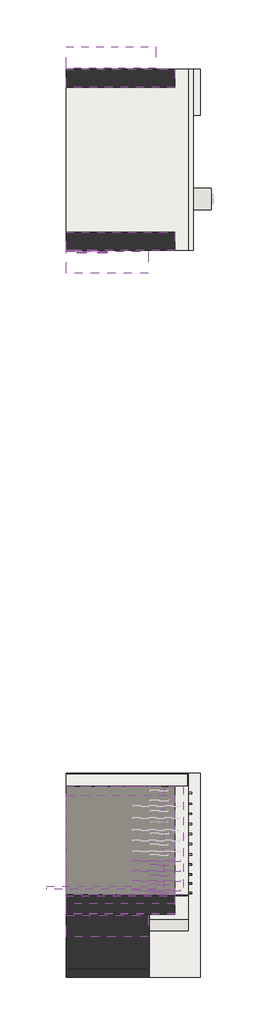
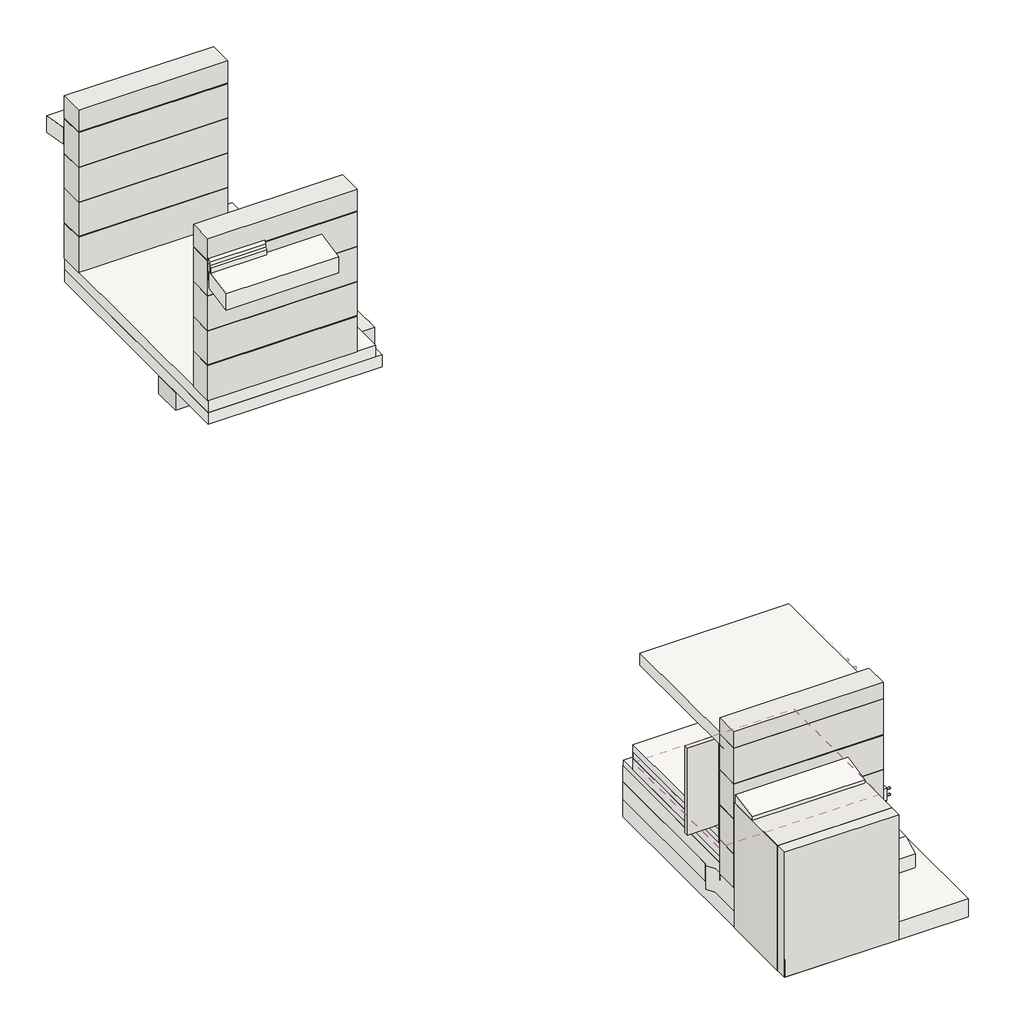
# One storey, part 1 of 2: 20 walls, 16 slabs, 15 cable carrier segments, 2 coverings.
"""IFC4 building model written with IfcOpenShell, lengths in millimetres."""

import ifcopenshell
import ifcopenshell.guid

model = None  # the IFC model being written
_history = None  # IfcOwnerHistory: only IFC2X3 demands one
_inside = {}  # id of a spatial element -> (the spatial element, [elements in it])
_under = {}  # id of a project, library or spatial element -> (it, [spatial elements below it])
_declared = {}  # id of a project -> (the project, [libraries it declares])
_typed = {}  # id of a type object -> (the type object, [elements of that type])
_made_of = {}  # id of a material, layer set ... -> (it, [elements and type objects made of it])


def new_model(schema):
    """Start an empty IFC model of exactly this schema.

    Asked for "IFC4X3", IfcOpenShell would pick the latest addendum, in which some entities
    have other attributes; the version numbers below select the first issue.
    IFC2X3 requires an IfcOwnerHistory on every rooted entity: one is made here for all.
    """
    global model, _history
    if schema == "IFC4X3":
        model = ifcopenshell.file(schema_version=(4, 3, 0, 0))
    else:
        model = ifcopenshell.file(schema=schema)
    _inside.clear()
    _under.clear()
    _declared.clear()
    _typed.clear()
    _made_of.clear()
    _history = None
    if model.schema == "IFC2X3":
        org = make("IfcOrganization", Name="unknown")
        user = make(
            "IfcPersonAndOrganization",
            ThePerson=make("IfcPerson", FamilyName="unknown"),
            TheOrganization=org,
        )
        app = make(
            "IfcApplication",
            ApplicationDeveloper=org,
            Version="unknown",
            ApplicationFullName="unknown",
            ApplicationIdentifier="unknown",
        )
        _history = make(
            "IfcOwnerHistory",
            OwningUser=user,
            OwningApplication=app,
            ChangeAction="ADDED",
            CreationDate=0,
        )
    return model


def make(cls, **values):
    """One entity of the class cls with the attributes given. An attribute that is None is left unset."""
    return model.create_entity(
        cls, **{name: value for name, value in values.items() if value is not None}
    )


def rooted(cls, **values):
    """An entity with a GlobalId (a new one), such as an element, a storey or a relation."""
    return make(cls, GlobalId=ifcopenshell.guid.new(), OwnerHistory=_history, **values)


def si_unit(unit_type, name, prefix=None):
    """IfcSIUnit, for example si_unit("LENGTHUNIT", "METRE", prefix="MILLI")."""
    return make("IfcSIUnit", UnitType=unit_type, Prefix=prefix, Name=name)


def assignment(units):
    """IfcUnitAssignment: the units of a project."""
    return None if units is None else make("IfcUnitAssignment", Units=units)


def point(xyz):
    """IfcCartesianPoint."""
    return None if xyz is None else make("IfcCartesianPoint", Coordinates=xyz)


def direction(xyz):
    """IfcDirection."""
    return None if xyz is None else make("IfcDirection", DirectionRatios=xyz)


def frame(location, z_axis=None, x_axis=None):
    """IfcAxis2Placement3D, a coordinate frame: its origin and axes. An axis left out is left unset."""
    return make(
        "IfcAxis2Placement3D",
        Location=point(location),
        Axis=direction(z_axis),
        RefDirection=direction(x_axis),
    )


def frame_2d(location, x_axis=None):
    """IfcAxis2Placement2D, a coordinate frame in the plane: its origin and x axis."""
    return make(
        "IfcAxis2Placement2D", Location=point(location), RefDirection=direction(x_axis)
    )


def origin():
    """The frame at (0, 0, 0) with its axes left unset."""
    return frame((0.0, 0.0, 0.0))


def origin_with_axes():
    """The frame at (0, 0, 0) with the z axis (0, 0, 1) and the x axis (1, 0, 0) written out."""
    return frame((0.0, 0.0, 0.0), z_axis=(0.0, 0.0, 1.0), x_axis=(1.0, 0.0, 0.0))


def place(relative_to, where):
    """IfcLocalPlacement: puts the frame where relative to a parent placement (None: the world)."""
    return make(
        "IfcLocalPlacement", PlacementRelTo=relative_to, RelativePlacement=where
    )


def context(
    kind, dimensions, precision=None, world=None, true_north=None, identifier=None
):
    """IfcGeometricRepresentationContext, for example the 3D "Model" context."""
    return make(
        "IfcGeometricRepresentationContext",
        ContextIdentifier=identifier,
        ContextType=kind,
        CoordinateSpaceDimension=dimensions,
        Precision=precision,
        WorldCoordinateSystem=world,
        TrueNorth=true_north,
    )


def project(units=None, contexts=None):
    """IfcProject with its units and contexts."""
    return rooted(
        "IfcProject",
        Name="project",
        RepresentationContexts=contexts,
        UnitsInContext=assignment(units),
    )


def spatial(cls, under=None, at=None, **own):
    """A site, building, storey or space (cls), placed at a placement, below another one or the project."""
    s = rooted(cls, ObjectPlacement=at, **own)
    if under is not None:
        _under.setdefault(under.id(), (under, []))[1].append(s)
    return s


def polyline(points):
    """IfcPolyline through the points."""
    return make("IfcPolyline", Points=[point(p) for p in points])


def circle_curve(where, radius):
    """IfcCircle in the frame where."""
    return make("IfcCircle", Position=where, Radius=radius)


def trimmed(basis, trim1, trim2, sense, master):
    """IfcTrimmedCurve: the piece of a basis curve between two trims."""
    return make(
        "IfcTrimmedCurve",
        BasisCurve=basis,
        Trim1=trim1,
        Trim2=trim2,
        SenseAgreement=sense,
        MasterRepresentation=master,
    )


def segment(curve, same_sense, transition):
    """IfcCompositeCurveSegment."""
    return make(
        "IfcCompositeCurveSegment",
        Transition=transition,
        SameSense=same_sense,
        ParentCurve=curve,
    )


def composite_curve(segments, self_intersect=None):
    """IfcCompositeCurve: segments joined end to end."""
    return make("IfcCompositeCurve", Segments=segments, SelfIntersect=self_intersect)


def outline(outer, holes=None, kind="AREA"):
    """IfcArbitraryClosedProfileDef: a profile drawn as a closed curve; with holes, ...WithVoids."""
    if holes is None:
        return make("IfcArbitraryClosedProfileDef", ProfileType=kind, OuterCurve=outer)
    return make(
        "IfcArbitraryProfileDefWithVoids",
        ProfileType=kind,
        OuterCurve=outer,
        InnerCurves=holes,
    )


def extrude(swept, where, along, depth):
    """IfcExtrudedAreaSolid: the profile swept, set in the frame where, extruded along a direction by depth."""
    return make(
        "IfcExtrudedAreaSolid",
        SweptArea=swept,
        Position=where,
        ExtrudedDirection=direction(along),
        Depth=depth,
    )


def shape(context_of_items, identifier, shape_type, items):
    """IfcShapeRepresentation: the items that make up one representation, for example the "Body"."""
    return make(
        "IfcShapeRepresentation",
        ContextOfItems=context_of_items,
        RepresentationIdentifier=identifier,
        RepresentationType=shape_type,
        Items=items,
    )


def made_of(thing, what):
    """Note that an element or type object is made of a material, layer set ...; save() writes the relation."""
    if what is not None:
        _made_of.setdefault(what.id(), (what, []))[1].append(thing)
    return thing


def element(
    cls,
    number,
    at=None,
    inside=None,
    cuts=None,
    type_object=None,
    material=None,
    context=None,
    identifier="Body",
    shape_type=None,
    held_by="IfcProductDefinitionShape",
    body=None,
    shapes=None,
    **own,
):
    """One element of the class cls, such as IfcWall. Its Tag is "e" and its number.

    at: its placement. inside: the storey or other place that contains it. cuts: it is an
    opening in that element (IfcRelVoidsElement). A single representation is given by context,
    identifier, shape_type and body (its items); several are given by shapes. held_by: the class
    of the entity that holds the representations. save() writes the other relations.
    """
    e = rooted(cls, Tag="e%d" % number, ObjectPlacement=at, **own)
    if body is not None:
        shapes = [shape(context, identifier, shape_type, body)]
    if shapes is not None:
        e.Representation = make(held_by, Representations=shapes)
    if inside is not None:
        _inside.setdefault(inside.id(), (inside, []))[1].append(e)
    if cuts is not None:
        rooted(
            "IfcRelVoidsElement", RelatingBuildingElement=cuts, RelatedOpeningElement=e
        )
    if type_object is not None:
        _typed.setdefault(type_object.id(), (type_object, []))[1].append(e)
    return made_of(e, material)


def aggregate(whole, parts):
    """IfcRelAggregates: a whole, such as a stair, and the parts it consists of."""
    return rooted("IfcRelAggregates", RelatingObject=whole, RelatedObjects=parts)


def save(model, path):
    """Write the relations noted so far, then the file.

    IfcRelAggregates (storeys below a building ...), IfcRelContainedInSpatialStructure (elements
    in a storey), IfcRelDefinesByType, IfcRelAssociatesMaterial and IfcRelDeclares: one each for
    every whole, place, type object, material and project.
    """
    for whole, parts in _under.values():
        aggregate(whole, parts)
    for where, things in _inside.values():
        rooted(
            "IfcRelContainedInSpatialStructure",
            RelatedElements=things,
            RelatingStructure=where,
        )
    for kind, things in _typed.values():
        rooted("IfcRelDefinesByType", RelatedObjects=things, RelatingType=kind)
    for what, things in _made_of.values():
        rooted("IfcRelAssociatesMaterial", RelatedObjects=things, RelatingMaterial=what)
    for by, libraries in _declared.values():
        rooted("IfcRelDeclares", RelatingContext=by, RelatedDefinitions=libraries)
    model.write(path)


model = new_model("IFC4")

# Units and contexts
model_context = context("Model", 3, world=origin())
ifc_project = project(units=[si_unit("LENGTHUNIT", "METRE", prefix="MILLI")], contexts=[model_context])

# Site, building, storey
site = spatial("IfcSite", under=ifc_project)
building = spatial("IfcBuilding", under=site)
storey = spatial("IfcBuildingStorey", under=building, Elevation=0.0)

# Cable carrier segments
placement = place(None, origin())
element("IfcCableCarrierSegment", 1, at=placement, inside=storey, context=model_context, shape_type="SweptSolid", body=[
    extrude(outline(composite_curve([segment(trimmed(circle_curve(frame_2d((-11500.8410597, 2526.8725652)), 11.71), [point((-11489.1310597, 2526.8725652))], [point((-11500.8410597, 2515.1625652))], False, "CARTESIAN"), True, "CONTINUOUS"), segment(trimmed(circle_curve(frame_2d((-11500.8410597, 2526.8725652)), 11.71), [point((-11500.8410597, 2515.1625652))], [point((-11512.5510597, 2526.8725652))], False, "CARTESIAN"), True, "CONTINUOUS"), segment(trimmed(circle_curve(frame_2d((-11500.8410597, 2526.8725652)), 11.71), [point((-11512.5510597, 2526.8725652))], [point((-11500.8410597, 2538.5825652))], False, "CARTESIAN"), True, "CONTINUOUS"), segment(trimmed(circle_curve(frame_2d((-11500.8410597, 2526.8725652)), 11.71), [point((-11500.8410597, 2538.5825652))], [point((-11489.1310597, 2526.8725652))], False, "CARTESIAN"), True, "CONTINUOUS")], self_intersect=False)), frame((-15957.560639, 0.0, 0.0), z_axis=(1.0, 0.0, 0.0), x_axis=(0.0, 1.0, 0.0)), (0.0, 0.0, 1.0), 780.0),
])
element("IfcCableCarrierSegment", 2, at=placement, inside=storey, context=model_context, shape_type="SweptSolid", body=[
    extrude(outline(composite_curve([segment(trimmed(circle_curve(frame_2d((-11345.8410597, 2526.8725652)), 11.71), [point((-11334.1310597, 2526.8725652))], [point((-11345.8410597, 2515.1625652))], False, "CARTESIAN"), True, "CONTINUOUS"), segment(trimmed(circle_curve(frame_2d((-11345.8410597, 2526.8725652)), 11.71), [point((-11345.8410597, 2515.1625652))], [point((-11357.5510597, 2526.8725652))], False, "CARTESIAN"), True, "CONTINUOUS"), segment(trimmed(circle_curve(frame_2d((-11345.8410597, 2526.8725652)), 11.71), [point((-11357.5510597, 2526.8725652))], [point((-11345.8410597, 2538.5825652))], False, "CARTESIAN"), True, "CONTINUOUS"), segment(trimmed(circle_curve(frame_2d((-11345.8410597, 2526.8725652)), 11.71), [point((-11345.8410597, 2538.5825652))], [point((-11334.1310597, 2526.8725652))], False, "CARTESIAN"), True, "CONTINUOUS")], self_intersect=False)), frame((-15957.560639, 0.0, 0.0), z_axis=(1.0, 0.0, 0.0), x_axis=(0.0, 1.0, 0.0)), (0.0, 0.0, 1.0), 780.0),
])
element("IfcCableCarrierSegment", 3, at=placement, inside=storey, context=model_context, shape_type="SweptSolid", body=[
    extrude(outline(composite_curve([segment(trimmed(circle_curve(frame_2d((-11175.8410597, 2526.8725652)), 11.71), [point((-11164.1310597, 2526.8725652))], [point((-11175.8410597, 2515.1625652))], False, "CARTESIAN"), True, "CONTINUOUS"), segment(trimmed(circle_curve(frame_2d((-11175.8410597, 2526.8725652)), 11.71), [point((-11175.8410597, 2515.1625652))], [point((-11187.5510597, 2526.8725652))], False, "CARTESIAN"), True, "CONTINUOUS"), segment(trimmed(circle_curve(frame_2d((-11175.8410597, 2526.8725652)), 11.71), [point((-11187.5510597, 2526.8725652))], [point((-11175.8410597, 2538.5825652))], False, "CARTESIAN"), True, "CONTINUOUS"), segment(trimmed(circle_curve(frame_2d((-11175.8410597, 2526.8725652)), 11.71), [point((-11175.8410597, 2538.5825652))], [point((-11164.1310597, 2526.8725652))], False, "CARTESIAN"), True, "CONTINUOUS")], self_intersect=False)), frame((-15957.560639, 0.0, 0.0), z_axis=(1.0, 0.0, 0.0), x_axis=(0.0, 1.0, 0.0)), (0.0, 0.0, 1.0), 780.0),
])
element("IfcCableCarrierSegment", 4, at=placement, inside=storey, context=model_context, shape_type="SweptSolid", body=[
    extrude(outline(composite_curve([segment(trimmed(circle_curve(frame_2d((-11015.8410597, 2526.8725652)), 11.71), [point((-11004.1310597, 2526.8725652))], [point((-11015.8410597, 2515.1625652))], False, "CARTESIAN"), True, "CONTINUOUS"), segment(trimmed(circle_curve(frame_2d((-11015.8410597, 2526.8725652)), 11.71), [point((-11015.8410597, 2515.1625652))], [point((-11027.5510597, 2526.8725652))], False, "CARTESIAN"), True, "CONTINUOUS"), segment(trimmed(circle_curve(frame_2d((-11015.8410597, 2526.8725652)), 11.71), [point((-11027.5510597, 2526.8725652))], [point((-11015.8410597, 2538.5825652))], False, "CARTESIAN"), True, "CONTINUOUS"), segment(trimmed(circle_curve(frame_2d((-11015.8410597, 2526.8725652)), 11.71), [point((-11015.8410597, 2538.5825652))], [point((-11004.1310597, 2526.8725652))], False, "CARTESIAN"), True, "CONTINUOUS")], self_intersect=False)), frame((-15957.560639, 0.0, 0.0), z_axis=(1.0, 0.0, 0.0), x_axis=(0.0, 1.0, 0.0)), (0.0, 0.0, 1.0), 780.0),
])
element("IfcCableCarrierSegment", 5, at=placement, inside=storey, context=model_context, shape_type="SweptSolid", body=[
    extrude(outline(composite_curve([segment(trimmed(circle_curve(frame_2d((-11543.6168712, 1147.1430792)), 11.71), [point((-11531.9068712, 1147.1430792))], [point((-11543.6168712, 1135.4330792))], False, "CARTESIAN"), True, "CONTINUOUS"), segment(trimmed(circle_curve(frame_2d((-11543.6168712, 1147.1430792)), 11.71), [point((-11543.6168712, 1135.4330792))], [point((-11555.3268712, 1147.1430792))], False, "CARTESIAN"), True, "CONTINUOUS"), segment(trimmed(circle_curve(frame_2d((-11543.6168712, 1147.1430792)), 11.71), [point((-11555.3268712, 1147.1430792))], [point((-11543.6168712, 1158.8530792))], False, "CARTESIAN"), True, "CONTINUOUS"), segment(trimmed(circle_curve(frame_2d((-11543.6168712, 1147.1430792)), 11.71), [point((-11543.6168712, 1158.8530792))], [point((-11531.9068712, 1147.1430792))], False, "CARTESIAN"), True, "CONTINUOUS")], self_intersect=False)), frame((-15667.0727907, 0.0, 0.0), z_axis=(1.0, 0.0, 0.0), x_axis=(0.0, 1.0, 0.0)), (0.0, 0.0, 1.0), 685.0),
])
element("IfcCableCarrierSegment", 6, at=placement, inside=storey, context=model_context, shape_type="SweptSolid", body=[
    extrude(outline(composite_curve([segment(trimmed(circle_curve(frame_2d((-11543.6168712, 1067.1430792)), 11.71), [point((-11531.9068712, 1067.1430792))], [point((-11543.6168712, 1055.4330792))], False, "CARTESIAN"), True, "CONTINUOUS"), segment(trimmed(circle_curve(frame_2d((-11543.6168712, 1067.1430792)), 11.71), [point((-11543.6168712, 1055.4330792))], [point((-11555.3268712, 1067.1430792))], False, "CARTESIAN"), True, "CONTINUOUS"), segment(trimmed(circle_curve(frame_2d((-11543.6168712, 1067.1430792)), 11.71), [point((-11555.3268712, 1067.1430792))], [point((-11543.6168712, 1078.8530792))], False, "CARTESIAN"), True, "CONTINUOUS"), segment(trimmed(circle_curve(frame_2d((-11543.6168712, 1067.1430792)), 11.71), [point((-11543.6168712, 1078.8530792))], [point((-11531.9068712, 1067.1430792))], False, "CARTESIAN"), True, "CONTINUOUS")], self_intersect=False)), frame((-15667.0727907, 0.0, 0.0), z_axis=(1.0, 0.0, 0.0), x_axis=(0.0, 1.0, 0.0)), (0.0, 0.0, 1.0), 685.0),
])
element("IfcCableCarrierSegment", 7, at=placement, inside=storey, context=model_context, shape_type="SweptSolid", body=[
    extrude(outline(composite_curve([segment(trimmed(circle_curve(frame_2d((-11530.1077311, 1301.5532574)), 11.71), [point((-11518.3977311, 1301.5532574))], [point((-11530.1077311, 1289.8432574))], False, "CARTESIAN"), True, "CONTINUOUS"), segment(trimmed(circle_curve(frame_2d((-11530.1077311, 1301.5532574)), 11.71), [point((-11530.1077311, 1289.8432574))], [point((-11541.8177311, 1301.5532574))], False, "CARTESIAN"), True, "CONTINUOUS"), segment(trimmed(circle_curve(frame_2d((-11530.1077311, 1301.5532574)), 11.71), [point((-11541.8177311, 1301.5532574))], [point((-11530.1077311, 1313.2632574))], False, "CARTESIAN"), True, "CONTINUOUS"), segment(trimmed(circle_curve(frame_2d((-11530.1077311, 1301.5532574)), 11.71), [point((-11530.1077311, 1313.2632574))], [point((-11518.3977311, 1301.5532574))], False, "CARTESIAN"), True, "CONTINUOUS")], self_intersect=False)), frame((-15667.0727907, 0.0, 0.0), z_axis=(1.0, 0.0, 0.0), x_axis=(0.0, 1.0, 0.0)), (0.0, 0.0, 1.0), 285.0),
])
element("IfcCableCarrierSegment", 8, at=placement, inside=storey, context=model_context, shape_type="SweptSolid", body=[
    extrude(outline(composite_curve([segment(trimmed(circle_curve(frame_2d((-11403.0994439, 1303.2034926)), 11.71), [point((-11391.3894439, 1303.2034926))], [point((-11403.0994439, 1291.4934926))], False, "CARTESIAN"), True, "CONTINUOUS"), segment(trimmed(circle_curve(frame_2d((-11403.0994439, 1303.2034926)), 11.71), [point((-11403.0994439, 1291.4934926))], [point((-11414.8094439, 1303.2034926))], False, "CARTESIAN"), True, "CONTINUOUS"), segment(trimmed(circle_curve(frame_2d((-11403.0994439, 1303.2034926)), 11.71), [point((-11414.8094439, 1303.2034926))], [point((-11403.0994439, 1314.9134926))], False, "CARTESIAN"), True, "CONTINUOUS"), segment(trimmed(circle_curve(frame_2d((-11403.0994439, 1303.2034926)), 11.71), [point((-11403.0994439, 1314.9134926))], [point((-11391.3894439, 1303.2034926))], False, "CARTESIAN"), True, "CONTINUOUS")], self_intersect=False)), frame((-15667.0727907, 0.0, 0.0), z_axis=(1.0, 0.0, 0.0), x_axis=(0.0, 1.0, 0.0)), (0.0, 0.0, 1.0), 295.0),
])
element("IfcCableCarrierSegment", 9, at=placement, inside=storey, context=model_context, shape_type="SweptSolid", body=[
    extrude(outline(composite_curve([segment(trimmed(circle_curve(frame_2d((-11252.2441656, 1302.068695)), 11.71), [point((-11240.5341656, 1302.068695))], [point((-11252.2441656, 1290.358695))], False, "CARTESIAN"), True, "CONTINUOUS"), segment(trimmed(circle_curve(frame_2d((-11252.2441656, 1302.068695)), 11.71), [point((-11252.2441656, 1290.358695))], [point((-11263.9541656, 1302.068695))], False, "CARTESIAN"), True, "CONTINUOUS"), segment(trimmed(circle_curve(frame_2d((-11252.2441656, 1302.068695)), 11.71), [point((-11263.9541656, 1302.068695))], [point((-11252.2441656, 1313.778695))], False, "CARTESIAN"), True, "CONTINUOUS"), segment(trimmed(circle_curve(frame_2d((-11252.2441656, 1302.068695)), 11.71), [point((-11252.2441656, 1313.778695))], [point((-11240.5341656, 1302.068695))], False, "CARTESIAN"), True, "CONTINUOUS")], self_intersect=False)), frame((-15667.0727907, 0.0, 0.0), z_axis=(1.0, 0.0, 0.0), x_axis=(0.0, 1.0, 0.0)), (0.0, 0.0, 1.0), 295.0),
])
element("IfcCableCarrierSegment", 10, at=placement, inside=storey, context=model_context, shape_type="SweptSolid", body=[
    extrude(outline(composite_curve([segment(trimmed(circle_curve(frame_2d((-11077.5991783, 1298.5614065)), 11.71), [point((-11065.8891783, 1298.5614065))], [point((-11077.5991783, 1286.8514065))], False, "CARTESIAN"), True, "CONTINUOUS"), segment(trimmed(circle_curve(frame_2d((-11077.5991783, 1298.5614065)), 11.71), [point((-11077.5991783, 1286.8514065))], [point((-11089.3091783, 1298.5614065))], False, "CARTESIAN"), True, "CONTINUOUS"), segment(trimmed(circle_curve(frame_2d((-11077.5991783, 1298.5614065)), 11.71), [point((-11089.3091783, 1298.5614065))], [point((-11077.5991783, 1310.2714065))], False, "CARTESIAN"), True, "CONTINUOUS"), segment(trimmed(circle_curve(frame_2d((-11077.5991783, 1298.5614065)), 11.71), [point((-11077.5991783, 1310.2714065))], [point((-11065.8891783, 1298.5614065))], False, "CARTESIAN"), True, "CONTINUOUS")], self_intersect=False)), frame((-15667.0727907, 0.0, 0.0), z_axis=(1.0, 0.0, 0.0), x_axis=(0.0, 1.0, 0.0)), (0.0, 0.0, 1.0), 295.0),
])
element("IfcCableCarrierSegment", 11, at=placement, inside=storey, context=model_context, shape_type="SweptSolid", body=[
    extrude(outline(composite_curve([segment(trimmed(circle_curve(frame_2d((-11383.6168712, 1147.1430792)), 11.71), [point((-11371.9068712, 1147.1430792))], [point((-11383.6168712, 1135.4330792))], False, "CARTESIAN"), True, "CONTINUOUS"), segment(trimmed(circle_curve(frame_2d((-11383.6168712, 1147.1430792)), 11.71), [point((-11383.6168712, 1135.4330792))], [point((-11395.3268712, 1147.1430792))], False, "CARTESIAN"), True, "CONTINUOUS"), segment(trimmed(circle_curve(frame_2d((-11383.6168712, 1147.1430792)), 11.71), [point((-11395.3268712, 1147.1430792))], [point((-11383.6168712, 1158.8530792))], False, "CARTESIAN"), True, "CONTINUOUS"), segment(trimmed(circle_curve(frame_2d((-11383.6168712, 1147.1430792)), 11.71), [point((-11383.6168712, 1158.8530792))], [point((-11371.9068712, 1147.1430792))], False, "CARTESIAN"), True, "CONTINUOUS")], self_intersect=False)), frame((-15667.0727907, 0.0, 0.0), z_axis=(1.0, 0.0, 0.0), x_axis=(0.0, 1.0, 0.0)), (0.0, 0.0, 1.0), 685.0),
])
element("IfcCableCarrierSegment", 12, at=placement, inside=storey, context=model_context, shape_type="SweptSolid", body=[
    extrude(outline(composite_curve([segment(trimmed(circle_curve(frame_2d((-11383.6168712, 1067.1430792)), 11.71), [point((-11371.9068712, 1067.1430792))], [point((-11383.6168712, 1055.4330792))], False, "CARTESIAN"), True, "CONTINUOUS"), segment(trimmed(circle_curve(frame_2d((-11383.6168712, 1067.1430792)), 11.71), [point((-11383.6168712, 1055.4330792))], [point((-11395.3268712, 1067.1430792))], False, "CARTESIAN"), True, "CONTINUOUS"), segment(trimmed(circle_curve(frame_2d((-11383.6168712, 1067.1430792)), 11.71), [point((-11395.3268712, 1067.1430792))], [point((-11383.6168712, 1078.8530792))], False, "CARTESIAN"), True, "CONTINUOUS"), segment(trimmed(circle_curve(frame_2d((-11383.6168712, 1067.1430792)), 11.71), [point((-11383.6168712, 1078.8530792))], [point((-11371.9068712, 1067.1430792))], False, "CARTESIAN"), True, "CONTINUOUS")], self_intersect=False)), frame((-15667.0727907, 0.0, 0.0), z_axis=(1.0, 0.0, 0.0), x_axis=(0.0, 1.0, 0.0)), (0.0, 0.0, 1.0), 685.0),
])
element("IfcCableCarrierSegment", 13, at=placement, inside=storey, context=model_context, shape_type="SweptSolid", body=[
    extrude(outline(composite_curve([segment(trimmed(circle_curve(frame_2d((-11233.6168712, 1147.1430792)), 11.71), [point((-11221.9068712, 1147.1430792))], [point((-11233.6168712, 1135.4330792))], False, "CARTESIAN"), True, "CONTINUOUS"), segment(trimmed(circle_curve(frame_2d((-11233.6168712, 1147.1430792)), 11.71), [point((-11233.6168712, 1135.4330792))], [point((-11245.3268712, 1147.1430792))], False, "CARTESIAN"), True, "CONTINUOUS"), segment(trimmed(circle_curve(frame_2d((-11233.6168712, 1147.1430792)), 11.71), [point((-11245.3268712, 1147.1430792))], [point((-11233.6168712, 1158.8530792))], False, "CARTESIAN"), True, "CONTINUOUS"), segment(trimmed(circle_curve(frame_2d((-11233.6168712, 1147.1430792)), 11.71), [point((-11233.6168712, 1158.8530792))], [point((-11221.9068712, 1147.1430792))], False, "CARTESIAN"), True, "CONTINUOUS")], self_intersect=False)), frame((-15667.0727907, 0.0, 0.0), z_axis=(1.0, 0.0, 0.0), x_axis=(0.0, 1.0, 0.0)), (0.0, 0.0, 1.0), 685.0),
])
element("IfcCableCarrierSegment", 14, at=placement, inside=storey, context=model_context, shape_type="SweptSolid", body=[
    extrude(outline(composite_curve([segment(trimmed(circle_curve(frame_2d((-11233.6168712, 1067.1430792)), 11.71), [point((-11221.9068712, 1067.1430792))], [point((-11233.6168712, 1055.4330792))], False, "CARTESIAN"), True, "CONTINUOUS"), segment(trimmed(circle_curve(frame_2d((-11233.6168712, 1067.1430792)), 11.71), [point((-11233.6168712, 1055.4330792))], [point((-11245.3268712, 1067.1430792))], False, "CARTESIAN"), True, "CONTINUOUS"), segment(trimmed(circle_curve(frame_2d((-11233.6168712, 1067.1430792)), 11.71), [point((-11245.3268712, 1067.1430792))], [point((-11233.6168712, 1078.8530792))], False, "CARTESIAN"), True, "CONTINUOUS"), segment(trimmed(circle_curve(frame_2d((-11233.6168712, 1067.1430792)), 11.71), [point((-11233.6168712, 1078.8530792))], [point((-11221.9068712, 1067.1430792))], False, "CARTESIAN"), True, "CONTINUOUS")], self_intersect=False)), frame((-15667.0727907, 0.0, 0.0), z_axis=(1.0, 0.0, 0.0), x_axis=(0.0, 1.0, 0.0)), (0.0, 0.0, 1.0), 685.0),
])
element("IfcCableCarrierSegment", 15, at=placement, inside=storey, context=model_context, shape_type="SweptSolid", body=[
    extrude(outline(composite_curve([segment(trimmed(circle_curve(frame_2d((-11068.6168712, 1147.1430792)), 11.71), [point((-11056.9068712, 1147.1430792))], [point((-11068.6168712, 1135.4330792))], False, "CARTESIAN"), True, "CONTINUOUS"), segment(trimmed(circle_curve(frame_2d((-11068.6168712, 1147.1430792)), 11.71), [point((-11068.6168712, 1135.4330792))], [point((-11080.3268712, 1147.1430792))], False, "CARTESIAN"), True, "CONTINUOUS"), segment(trimmed(circle_curve(frame_2d((-11068.6168712, 1147.1430792)), 11.71), [point((-11080.3268712, 1147.1430792))], [point((-11068.6168712, 1158.8530792))], False, "CARTESIAN"), True, "CONTINUOUS"), segment(trimmed(circle_curve(frame_2d((-11068.6168712, 1147.1430792)), 11.71), [point((-11068.6168712, 1158.8530792))], [point((-11056.9068712, 1147.1430792))], False, "CARTESIAN"), True, "CONTINUOUS")], self_intersect=False)), frame((-15667.0727907, 0.0, 0.0), z_axis=(1.0, 0.0, 0.0), x_axis=(0.0, 1.0, 0.0)), (0.0, 0.0, 1.0), 685.0),
])

# Coverings
element("IfcCovering", 16, at=placement, inside=storey, context=model_context, shape_type="SweptSolid", body=[
    extrude(outline(polyline([(-14840.7481616, 2107.7280679), (-14840.7481616, 1350.7240492), (-14960.7481616, 1350.7240492), (-14960.7481616, 2107.7280679), (-14840.7481616, 2107.7280679)])), origin_with_axes(), (0.0, 0.0, 1.0), 57.0),
])
element("IfcCovering", 17, at=placement, inside=storey, context=model_context, shape_type="SweptSolid", body=[
    extrude(outline(polyline([(-15123.9696732, -9775.7854951), (-15123.9696732, -11575.7854951), (-17063.9696732, -11575.7854951), (-17063.9696732, -9775.7854951), (-15123.9696732, -9775.7854951)])), frame((0.0, 0.0, 1130.2791548), z_axis=(0.0, 0.0, 1.0), x_axis=(1.0, 0.0, 0.0)), (0.0, 0.0, 1.0), 57.0),
])

# Slabs
element("IfcSlab", 18, at=placement, inside=storey, context=model_context, shape_type="SweptSolid", body=[
    extrude(outline(polyline([(-17060.7481616, 2108.9836964), (-14960.7481616, 2108.9836964), (-14960.7481616, -891.0163036), (-17060.7481616, -891.0163036), (-17060.7481616, 2108.9836964)])), frame((0.0, 0.0, 50.0), z_axis=(0.0, 0.0, 1.0), x_axis=(1.0, 0.0, 0.0)), (0.0, 0.0, 1.0), 150.0),
])
element("IfcSlab", 19, at=placement, inside=storey, context=model_context, shape_type="SweptSolid", body=[
    extrude(outline(polyline([(-17060.7481616, 2108.9836964), (-15040.7481616, 2108.9836964), (-15040.7481616, -891.0163036), (-17060.7481616, -891.0163036), (-17060.7481616, 2108.9836964)])), frame((0.0, 0.0, 200.0), z_axis=(0.0, 0.0, 1.0), x_axis=(1.0, 0.0, 0.0)), (0.0, 0.0, 1.0), 150.0),
])
element("IfcSlab", 20, at=placement, inside=storey, context=model_context, shape_type="SweptSolid", body=[
    extrude(outline(polyline([(2126.8173461, 1792.6666595), (2126.8173461, 2002.6666595), (2486.8173461, 1937.6666595), (2486.8173461, 1727.6666595), (2126.8173461, 1792.6666595)])), frame((-17060.7481616, 0.0, 0.0), z_axis=(1.0, 0.0, 0.0), x_axis=(0.0, 1.0, 0.0)), (0.0, 0.0, 1.0), 1480.0),
])
element("IfcSlab", 21, at=placement, inside=storey, context=model_context, shape_type="SweptSolid", body=[
    extrude(outline(polyline([(-1268.9222178, 1735.0), (-1268.9222178, 1945.0), (-908.9222178, 2010.0), (-908.9222178, 1800.0), (-1268.9222178, 1735.0)])), frame((-17060.7481616, 0.0, 0.0), z_axis=(1.0, 0.0, 0.0), x_axis=(0.0, 1.0, 0.0)), (0.0, 0.0, 1.0), 1356.7784885),
])
element("IfcSlab", 22, at=placement, inside=storey, context=model_context, shape_type="SweptSolid", body=[
    extrude(outline(polyline([(-919.8631156, 1925.0), (-919.8631156, 2135.0), (-879.8631156, 2175.0), (-879.8631156, 1965.0), (-919.8631156, 1925.0)])), frame((-17060.7481616, 0.0, 0.0), z_axis=(1.0, 0.0, 0.0), x_axis=(0.0, 1.0, 0.0)), (0.0, 0.0, 1.0), 680.0),
])
element("IfcSlab", 23, at=placement, inside=storey, context=model_context, shape_type="SweptSolid", body=[
    extrude(outline(polyline([(-939.8636305, 1860.0), (-939.8636305, 2070.0), (-899.8636305, 2110.0), (-899.8636305, 1900.0), (-939.8636305, 1860.0)])), frame((-17060.7481616, 0.0, 0.0), z_axis=(1.0, 0.0, 0.0), x_axis=(0.0, 1.0, 0.0)), (0.0, 0.0, 1.0), 680.0),
])
element("IfcSlab", 24, at=placement, inside=storey, context=model_context, shape_type="SweptSolid", body=[
    extrude(outline(polyline([(-12268.9222178, 1735.0), (-12268.9222178, 1945.0), (-11908.9222178, 2010.0), (-11908.9222178, 1800.0), (-12268.9222178, 1735.0)])), frame((-17060.7481616, 0.0, 0.0), z_axis=(1.0, 0.0, 0.0), x_axis=(0.0, 1.0, 0.0)), (0.0, 0.0, 1.0), 1356.7784885),
])
element("IfcSlab", 25, at=placement, inside=storey, context=model_context, shape_type="SweptSolid", body=[
    extrude(outline(polyline([(-12171.0163036, 408.4577034), (-12171.0163036, 708.4577034), (-11973.861326, 810.2791548), (-11491.8389782, 810.2791548), (-11291.0163036, 727.5720488), (-11291.0163036, 427.5720488), (-11491.8389782, 510.2791548), (-11973.861326, 510.2791548), (-12171.0163036, 408.4577034)])), frame((-17060.7481616, 0.0, 0.0), z_axis=(1.0, 0.0, 0.0), x_axis=(0.0, 1.0, 0.0)), (0.0, 0.0, 1.0), 2020.0),
])
element("IfcSlab", 26, at=placement, inside=storey, context=model_context, shape_type="SweptSolid", body=[
    extrude(outline(polyline([(-17060.7481616, -9775.1456904), (-15040.7481616, -9775.1456904), (-15040.7481616, -11575.1456904), (-17060.7481616, -11575.1456904), (-17060.7481616, -9775.1456904)])), frame((0.0, 0.0, 1030.0), z_axis=(0.0, 0.0, 1.0), x_axis=(1.0, 0.0, 0.0)), (0.0, 0.0, 1.0), 150.0),
])
element("IfcSlab", 27, at=placement, inside=storey, context=model_context, shape_type="SweptSolid", body=[
    extrude(outline(polyline([(-17060.7481616, -9777.9609182), (-15263.9696732, -9777.9609182), (-15263.9696732, -11577.9609182), (-17060.7481616, -11577.9609182), (-17060.7481616, -9777.9609182)])), frame((0.0, 0.0, 1100.0), z_axis=(0.0, 0.0, 1.0), x_axis=(1.0, 0.0, 0.0)), (0.0, 0.0, 1.0), 150.0),
])
element("IfcSlab", 28, at=placement, inside=storey, context=model_context, shape_type="SweptSolid", body=[
    extrude(outline(polyline([(-17060.7481616, -9774.4521603), (-15443.9696732, -9774.4521603), (-15443.9696732, -11574.4521603), (-17060.7481616, -11574.4521603), (-17060.7481616, -9774.4521603)])), frame((0.0, 0.0, 1200.0), z_axis=(0.0, 0.0, 1.0), x_axis=(1.0, 0.0, 0.0)), (0.0, 0.0, 1.0), 150.0),
])
element("IfcSlab", 29, at=placement, inside=storey, context=model_context, shape_type="SweptSolid", body=[
    extrude(outline(polyline([(-17060.7481616, -9920.6058187), (-15263.9696732, -9920.6058187), (-15263.9696732, -11720.6058187), (-17060.7481616, -11720.6058187), (-17060.7481616, -9920.6058187)])), frame((0.0, 0.0, 2456.6824863), z_axis=(0.0, 0.0, 1.0), x_axis=(1.0, 0.0, 0.0)), (0.0, 0.0, 1.0), 150.0),
])
element("IfcSlab", 30, at=placement, inside=storey, context=model_context, shape_type="SweptSolid", body=[
    extrude(outline(polyline([(-17060.7481616, -9558.9471951), (-14843.9696732, -9558.9471951), (-14843.9696732, -12942.5588968), (-17060.7481616, -12942.5588968), (-17060.7481616, -9558.9471951)])), frame((0.0, 0.0, 305.2791548), z_axis=(0.0, 0.0, 1.0), x_axis=(1.0, 0.0, 0.0)), (0.0, 0.0, 1.0), 225.0),
])
element("IfcSlab", 31, at=placement, inside=storey, context=model_context, shape_type="SweptSolid", body=[
    extrude(outline(polyline([(-17060.7481616, -9558.9471951), (-15040.7481616, -9558.9471951), (-15040.7481616, -11286.1897338), (-17060.7481616, -11286.1897338), (-17060.7481616, -9558.9471951)])), frame((0.0, 0.0, 525.2791548), z_axis=(0.0, 0.0, 1.0), x_axis=(1.0, 0.0, 0.0)), (0.0, 0.0, 1.0), 225.0),
])
element("IfcSlab", 32, at=placement, inside=storey, context=model_context, shape_type="SweptSolid", body=[
    extrude(outline(polyline([(-17060.7481616, -9558.9471951), (-15060.7481616, -9558.9471951), (-15060.7481616, -11590.7388889), (-17060.7481616, -11590.7388889), (-17060.7481616, -9558.9471951)])), frame((0.0, 0.0, 725.0), z_axis=(0.0, 0.0, 1.0), x_axis=(1.0, 0.0, 0.0)), (0.0, 0.0, 1.0), 225.0),
])
element("IfcSlab", 33, at=placement, inside=storey, context=model_context, shape_type="SweptSolid", body=[
    extrude(outline(polyline([(-17060.7481616, -9573.3668414), (-15055.0722163, -9573.3668414), (-15055.0722163, -11590.9200082), (-17060.7481616, -11590.9200082), (-17060.7481616, -9573.3668414)])), frame((0.0, 0.0, 804.0709034), z_axis=(0.0, 0.0, 1.0), x_axis=(1.0, 0.0, 0.0)), (0.0, 0.0, 1.0), 225.0),
])

# Walls
element("IfcWall", 34, at=placement, inside=storey, context=model_context, shape_type="SweptSolid", body=[
    extrude(outline(polyline([(-17063.9696732, -591.0163036), (-15263.9696732, -591.0163036), (-15263.9696732, -891.0163036), (-17063.9696732, -891.0163036), (-17063.9696732, -591.0163036)])), frame((0.0, 0.0, 350.0), z_axis=(0.0, 0.0, 1.0), x_axis=(1.0, 0.0, 0.0)), (0.0, 0.0, 1.0), 450.0),
])
element("IfcWall", 35, at=placement, inside=storey, context=model_context, shape_type="SweptSolid", body=[
    extrude(outline(polyline([(-17063.9696732, 2108.9836964), (-15263.9696732, 2108.9836964), (-15263.9696732, 1808.9836964), (-17063.9696732, 1808.9836964), (-17063.9696732, 2108.9836964)])), frame((0.0, 0.0, 350.0), z_axis=(0.0, 0.0, 1.0), x_axis=(1.0, 0.0, 0.0)), (0.0, 0.0, 1.0), 450.0),
])
element("IfcWall", 36, at=placement, inside=storey, context=model_context, shape_type="SweptSolid", body=[
    extrude(outline(polyline([(-17063.9696732, -591.0163036), (-15263.9696732, -591.0163036), (-15263.9696732, -891.0163036), (-17063.9696732, -891.0163036), (-17063.9696732, -591.0163036)])), frame((0.0, 0.0, 810.2791548), z_axis=(0.0, 0.0, 1.0), x_axis=(1.0, 0.0, 0.0)), (0.0, 0.0, 1.0), 429.7208452),
])
element("IfcWall", 37, at=placement, inside=storey, context=model_context, shape_type="SweptSolid", body=[
    extrude(outline(polyline([(-17063.9696732, 2108.9836964), (-15263.9696732, 2108.9836964), (-15263.9696732, 1808.9836964), (-17063.9696732, 1808.9836964), (-17063.9696732, 2108.9836964)])), frame((0.0, 0.0, 810.2791548), z_axis=(0.0, 0.0, 1.0), x_axis=(1.0, 0.0, 0.0)), (0.0, 0.0, 1.0), 429.7208452),
])
element("IfcWall", 38, at=placement, inside=storey, context=model_context, shape_type="SweptSolid", body=[
    extrude(outline(polyline([(-17063.9696732, -591.0163036), (-15263.9696732, -591.0163036), (-15263.9696732, -891.0163036), (-17063.9696732, -891.0163036), (-17063.9696732, -591.0163036)])), frame((0.0, 0.0, 1247.6666595), z_axis=(0.0, 0.0, 1.0), x_axis=(1.0, 0.0, 0.0)), (0.0, 0.0, 1.0), 437.3333405),
])
element("IfcWall", 39, at=placement, inside=storey, context=model_context, shape_type="SweptSolid", body=[
    extrude(outline(polyline([(-17063.9696732, 2108.9836964), (-15263.9696732, 2108.9836964), (-15263.9696732, 1808.9836964), (-17063.9696732, 1808.9836964), (-17063.9696732, 2108.9836964)])), frame((0.0, 0.0, 1247.6666595), z_axis=(0.0, 0.0, 1.0), x_axis=(1.0, 0.0, 0.0)), (0.0, 0.0, 1.0), 437.3333405),
])
element("IfcWall", 40, at=placement, inside=storey, context=model_context, shape_type="SweptSolid", body=[
    extrude(outline(polyline([(-17063.9696732, -591.0163036), (-15263.9696732, -591.0163036), (-15263.9696732, -891.0163036), (-17063.9696732, -891.0163036), (-17063.9696732, -591.0163036)])), frame((0.0, 0.0, 1692.6666595), z_axis=(0.0, 0.0, 1.0), x_axis=(1.0, 0.0, 0.0)), (0.0, 0.0, 1.0), 437.3333405),
])
element("IfcWall", 41, at=placement, inside=storey, context=model_context, shape_type="SweptSolid", body=[
    extrude(outline(polyline([(-17063.9696732, 2108.9836964), (-15263.9696732, 2108.9836964), (-15263.9696732, 1808.9836964), (-17063.9696732, 1808.9836964), (-17063.9696732, 2108.9836964)])), frame((0.0, 0.0, 1692.6666595), z_axis=(0.0, 0.0, 1.0), x_axis=(1.0, 0.0, 0.0)), (0.0, 0.0, 1.0), 437.3333405),
])
element("IfcWall", 42, at=placement, inside=storey, context=model_context, shape_type="SweptSolid", body=[
    extrude(outline(polyline([(-17063.9696732, -591.0163036), (-15263.9696732, -591.0163036), (-15263.9696732, -891.0163036), (-17063.9696732, -891.0163036), (-17063.9696732, -591.0163036)])), frame((0.0, 0.0, 2142.5783664), z_axis=(0.0, 0.0, 1.0), x_axis=(1.0, 0.0, 0.0)), (0.0, 0.0, 1.0), 277.4216336),
])
element("IfcWall", 43, at=placement, inside=storey, context=model_context, shape_type="SweptSolid", body=[
    extrude(outline(polyline([(-17063.9696732, 2108.9836964), (-15263.9696732, 2108.9836964), (-15263.9696732, 1808.9836964), (-17063.9696732, 1808.9836964), (-17063.9696732, 2108.9836964)])), frame((0.0, 0.0, 2142.5783664), z_axis=(0.0, 0.0, 1.0), x_axis=(1.0, 0.0, 0.0)), (0.0, 0.0, 1.0), 277.4216336),
])
element("IfcWall", 44, at=placement, inside=storey, context=model_context, shape_type="SweptSolid", body=[
    extrude(outline(polyline([(-17063.9696732, 135.0954803), (-14663.9696732, 135.0954803), (-14663.9696732, -214.9045197), (-17063.9696732, -214.9045197), (-17063.9696732, 135.0954803)])), frame((0.0, 0.0, -177.8647683), z_axis=(0.0, 0.0, 1.0), x_axis=(1.0, 0.0, 0.0)), (0.0, 0.0, 1.0), 217.8647683),
])
element("IfcWall", 45, at=placement, inside=storey, context=model_context, shape_type="SweptSolid", body=[
    extrude(outline(polyline([(-17063.9696732, -11591.0163036), (-15263.9696732, -11591.0163036), (-15263.9696732, -11891.0163036), (-17063.9696732, -11891.0163036), (-17063.9696732, -11591.0163036)])), frame((0.0, 0.0, 810.2791548), z_axis=(0.0, 0.0, 1.0), x_axis=(1.0, 0.0, 0.0)), (0.0, 0.0, 1.0), 429.7208452),
])
element("IfcWall", 46, at=placement, inside=storey, context=model_context, shape_type="SweptSolid", body=[
    extrude(outline(polyline([(-17063.9696732, -11591.0163036), (-15263.9696732, -11591.0163036), (-15263.9696732, -11891.0163036), (-17063.9696732, -11891.0163036), (-17063.9696732, -11591.0163036)])), frame((0.0, 0.0, 1247.6666595), z_axis=(0.0, 0.0, 1.0), x_axis=(1.0, 0.0, 0.0)), (0.0, 0.0, 1.0), 437.3333405),
])
element("IfcWall", 47, at=placement, inside=storey, context=model_context, shape_type="SweptSolid", body=[
    extrude(outline(polyline([(-17063.9696732, -11591.0163036), (-15263.9696732, -11591.0163036), (-15263.9696732, -11891.0163036), (-17063.9696732, -11891.0163036), (-17063.9696732, -11591.0163036)])), frame((0.0, 0.0, 1692.6666595), z_axis=(0.0, 0.0, 1.0), x_axis=(1.0, 0.0, 0.0)), (0.0, 0.0, 1.0), 437.3333405),
])
element("IfcWall", 48, at=placement, inside=storey, context=model_context, shape_type="SweptSolid", body=[
    extrude(outline(polyline([(-17063.9696732, -11591.0163036), (-15263.9696732, -11591.0163036), (-15263.9696732, -11891.0163036), (-17063.9696732, -11891.0163036), (-17063.9696732, -11591.0163036)])), frame((0.0, 0.0, 2594.1041199), z_axis=(0.0, 0.0, 1.0), x_axis=(1.0, 0.0, 0.0)), (0.0, 0.0, 1.0), 205.8958801),
])
element("IfcWall", 49, at=placement, inside=storey, context=model_context, shape_type="SweptSolid", body=[
    extrude(outline(polyline([(-17389.9592701, -11431.0163036), (-15589.9592701, -11431.0163036), (-15589.9592701, -11481.0163036), (-17389.9592701, -11481.0163036), (-17389.9592701, -11431.0163036)])), frame((0.0, 0.0, 1350.0), z_axis=(0.0, 0.0, 1.0), x_axis=(1.0, 0.0, 0.0)), (0.0, 0.0, 1.0), 1106.6824863),
])
element("IfcWall", 50, at=placement, inside=storey, context=model_context, shape_type="SweptSolid", body=[
    extrude(outline(polyline([(-17063.9696732, -11899.5629155), (-15683.9696732, -11899.5629155), (-15683.9696732, -12799.5629155), (-17063.9696732, -12799.5629155), (-17063.9696732, -11899.5629155)])), frame((0.0, 0.0, 306.3524021), z_axis=(0.0, 0.0, 1.0), x_axis=(1.0, 0.0, 0.0)), (0.0, 0.0, 1.0), 1593.6475979),
])
element("IfcWall", 51, at=placement, inside=storey, context=model_context, shape_type="SweptSolid", body=[
    extrude(outline(polyline([(-17063.9696732, -12042.5588968), (-15683.9696732, -12042.5588968), (-15683.9696732, -12942.5588968), (-17063.9696732, -12942.5588968), (-17063.9696732, -12042.5588968)])), frame((0.0, 0.0, 306.3524021), z_axis=(0.0, 0.0, 1.0), x_axis=(1.0, 0.0, 0.0)), (0.0, 0.0, 1.0), 1593.6475979),
])
element("IfcWall", 52, at=placement, inside=storey, context=model_context, shape_type="SweptSolid", body=[
    extrude(outline(polyline([(-17063.9696732, -11591.0163036), (-15263.9696732, -11591.0163036), (-15263.9696732, -11891.0163036), (-17063.9696732, -11891.0163036), (-17063.9696732, -11591.0163036)])), frame((0.0, 0.0, 2141.1360168), z_axis=(0.0, 0.0, 1.0), x_axis=(1.0, 0.0, 0.0)), (0.0, 0.0, 1.0), 452.9681031),
])
element("IfcWall", 53, at=placement, inside=storey, context=model_context, shape_type="SweptSolid", body=[
    extrude(outline(polyline([(-17063.9696732, -11576.0163036), (-15543.9696732, -11576.0163036), (-15543.9696732, -11666.0163036), (-17063.9696732, -11666.0163036), (-17063.9696732, -11576.0163036)])), frame((0.0, 0.0, 1193.7356336), z_axis=(0.0, 0.0, 1.0), x_axis=(1.0, 0.0, 0.0)), (0.0, 0.0, 1.0), 1262.9468527),
])

save(model, "model.ifc")
